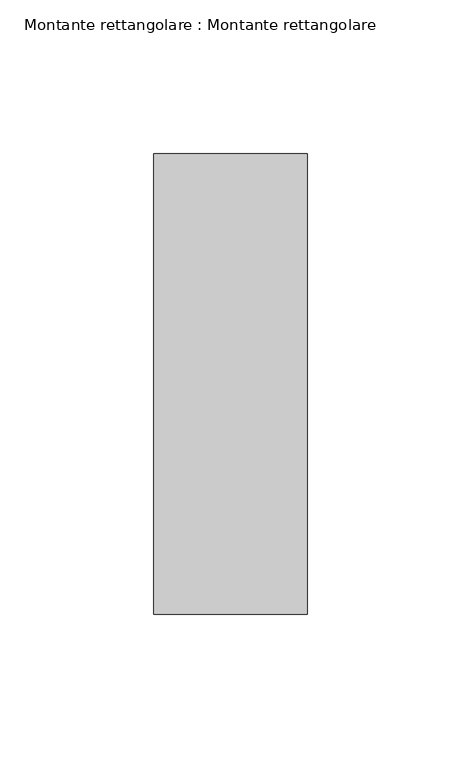
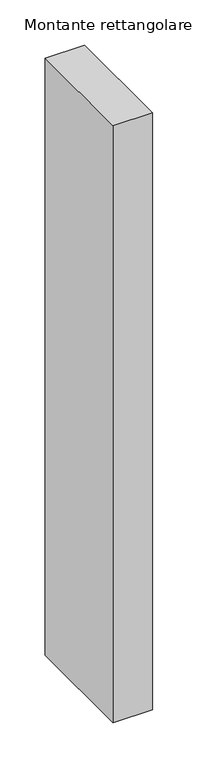
"""IFC4 building model written with IfcOpenShell, lengths in millimetres: member geometry, Montante rettangolare : Montante rettangolare."""

from ifc_helpers import new_model, si_unit, frame, origin, place, context, project, spatial, polyline, outline, extrude, source, transform, mapped, element, save


def montante_rettangolare_montante_rettangolare_4ee3d5b5(model_context):
    return source(origin(), model_context, "Body", "SweptSolid", [
        extrude(outline(polyline([(0.0, 75.0), (0.0, -75.0), (-50.0, -75.0), (-50.0, 75.0), (0.0, 75.0)])), frame((0.0, 0.0, -803.0), z_axis=(0.0, 0.0, 1.0), x_axis=(1.0, 0.0, 0.0)), (0.0, 0.0, 1.0), 803.0),
    ])


if __name__ == "__main__":
    model = new_model("IFC4")
    model_context = context("Model", 3, world=origin())
    ifc_project = project(units=[si_unit("LENGTHUNIT", "METRE", prefix="MILLI")], contexts=[model_context])
    site = spatial("IfcSite", under=ifc_project)
    building = spatial("IfcBuilding", under=site)
    placement = place(None, origin())
    montante_rettangolare_montante_rettangolare_shape = montante_rettangolare_montante_rettangolare_4ee3d5b5(model_context)
    element("IfcMember", 1, ObjectType="Montante rettangolare : Montante rettangolare", at=placement, inside=building, context=model_context, shape_type="MappedRepresentation", body=[
        mapped(montante_rettangolare_montante_rettangolare_shape, transform((0.0, 0.0, 0.0), x_axis=(1.0, 0.0, 0.0), y_axis=(0.0, 1.0, 0.0), z_axis=(0.0, 0.0, 1.0))),
    ])
    save(model, "model.ifc")
